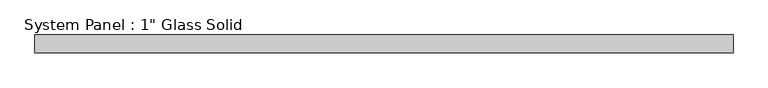
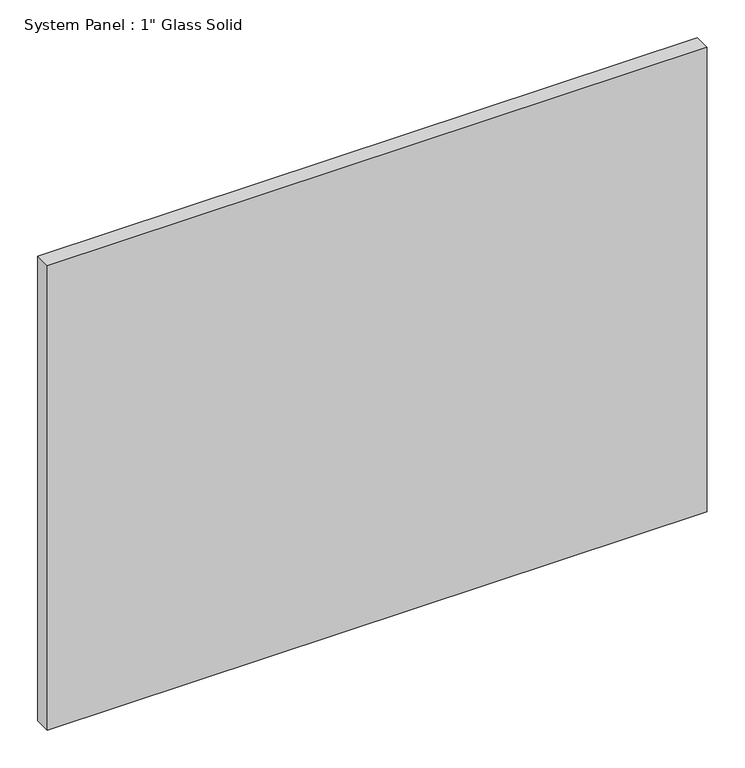
"""IFC4 building model written with IfcOpenShell, lengths in millimetres: plate geometry."""

from ifc_helpers import new_model, si_unit, origin, origin_with_axes, place, context, project, spatial, polyline, outline, extrude, source, transform, mapped, element, save


def plate_6ab8369d(model_context):
    return source(origin(), model_context, "Body", "SweptSolid", [
        extrude(outline(polyline([(503.2375, -12.7), (-503.2375, -12.7), (-503.2375, 12.7), (503.2375, 12.7), (503.2375, -12.7)])), origin_with_axes(), (0.0, 0.0, 1.0), 748.7596948),
    ])


if __name__ == "__main__":
    model = new_model("IFC4")
    model_context = context("Model", 3, world=origin())
    ifc_project = project(units=[si_unit("LENGTHUNIT", "METRE", prefix="MILLI")], contexts=[model_context])
    site = spatial("IfcSite", under=ifc_project)
    building = spatial("IfcBuilding", under=site)
    placement = place(None, origin())
    plate_shape = plate_6ab8369d(model_context)
    element("IfcPlate", 1, ObjectType="System Panel : 1\" Glass Solid", at=placement, inside=building, context=model_context, shape_type="MappedRepresentation", body=[
        mapped(plate_shape, transform((0.0, 0.0, 0.0), x_axis=(1.0, 0.0, 0.0), y_axis=(0.0, 1.0, 0.0), z_axis=(0.0, 0.0, 1.0))),
    ])
    save(model, "model.ifc")
